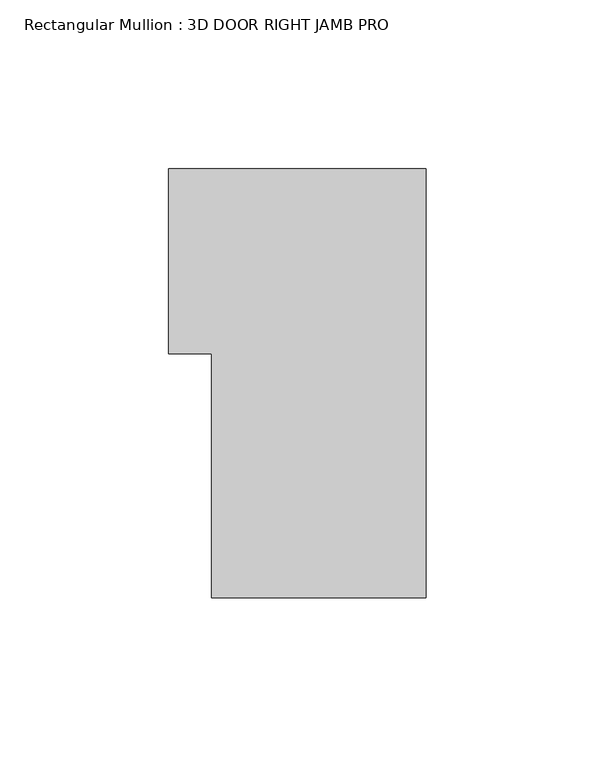
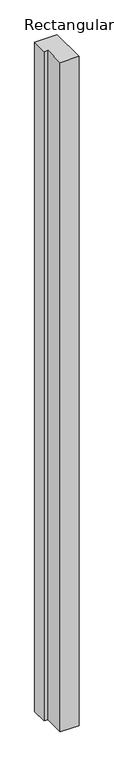
"""IFC4 building model written with IfcOpenShell, lengths in millimetres: member geometry, Rectangular Mullion : 3D DOOR RIGHT JAMB PRO."""

from ifc_helpers import new_model, si_unit, frame, origin, place, context, project, spatial, polyline, outline, extrude, source, transform, mapped, element, save


def rectangular_mullion_3d_door_right_jamb_pro_77813636(model_context):
    return source(origin(), model_context, "Body", "SweptSolid", [
        extrude(outline(polyline([(0.0, -63.5), (-63.5, -63.5), (-63.5, 8.712327), (-76.2, 8.712327), (-76.2, 63.5), (0.0, 63.5), (0.0, -63.5)])), frame((0.0, 0.0, -2393.95), z_axis=(0.0, 0.0, 1.0), x_axis=(1.0, 0.0, 0.0)), (0.0, 0.0, 1.0), 2393.95),
    ])


if __name__ == "__main__":
    model = new_model("IFC4")
    model_context = context("Model", 3, world=origin())
    ifc_project = project(units=[si_unit("LENGTHUNIT", "METRE", prefix="MILLI")], contexts=[model_context])
    site = spatial("IfcSite", under=ifc_project)
    building = spatial("IfcBuilding", under=site)
    placement = place(None, origin())
    rectangular_mullion_3d_door_right_jamb_pro_shape = rectangular_mullion_3d_door_right_jamb_pro_77813636(model_context)
    element("IfcMember", 1, ObjectType="Rectangular Mullion : 3D DOOR RIGHT JAMB PRO", at=placement, inside=building, context=model_context, shape_type="MappedRepresentation", body=[
        mapped(rectangular_mullion_3d_door_right_jamb_pro_shape, transform((0.0, 0.0, 0.0), x_axis=(1.0, 0.0, 0.0), y_axis=(0.0, 1.0, 0.0), z_axis=(0.0, 0.0, 1.0))),
    ])
    save(model, "model.ifc")
